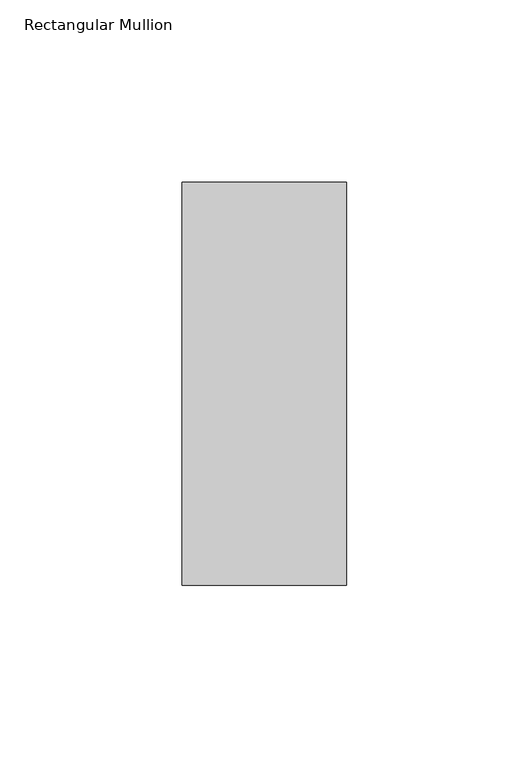
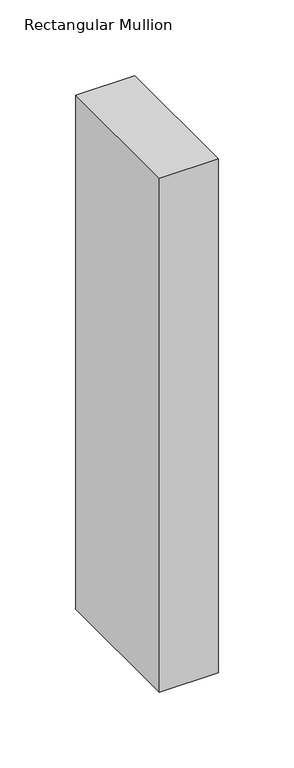
"""IFC4 building model written with IfcOpenShell, lengths in millimetres: member geometry, Rectangular Mullion."""

from ifc_helpers import new_model, si_unit, frame, origin, place, context, project, spatial, polyline, outline, extrude, source, transform, mapped, element, save


def rectangular_mullion_fdbbbd1e(model_context):
    return source(origin(), model_context, "Body", "SweptSolid", [
        extrude(outline(polyline([(-45.0, -70.7), (-45.0, 39.7), (0.0, 39.7), (0.0, -70.7), (-45.0, -70.7)])), frame((0.0, 0.0, -414.6578125), z_axis=(0.0, 0.0, 1.0), x_axis=(1.0, 0.0, 0.0)), (0.0, 0.0, 1.0), 414.6578125),
    ])


if __name__ == "__main__":
    model = new_model("IFC4")
    model_context = context("Model", 3, world=origin())
    ifc_project = project(units=[si_unit("LENGTHUNIT", "METRE", prefix="MILLI")], contexts=[model_context])
    site = spatial("IfcSite", under=ifc_project)
    building = spatial("IfcBuilding", under=site)
    placement = place(None, origin())
    rectangular_mullion_shape = rectangular_mullion_fdbbbd1e(model_context)
    element("IfcMember", 1, ObjectType="Rectangular Mullion", at=placement, inside=building, context=model_context, shape_type="MappedRepresentation", body=[
        mapped(rectangular_mullion_shape, transform((0.0, 0.0, 0.0), x_axis=(1.0, 0.0, 0.0), y_axis=(0.0, 1.0, 0.0), z_axis=(0.0, 0.0, 1.0))),
    ])
    save(model, "model.ifc")
